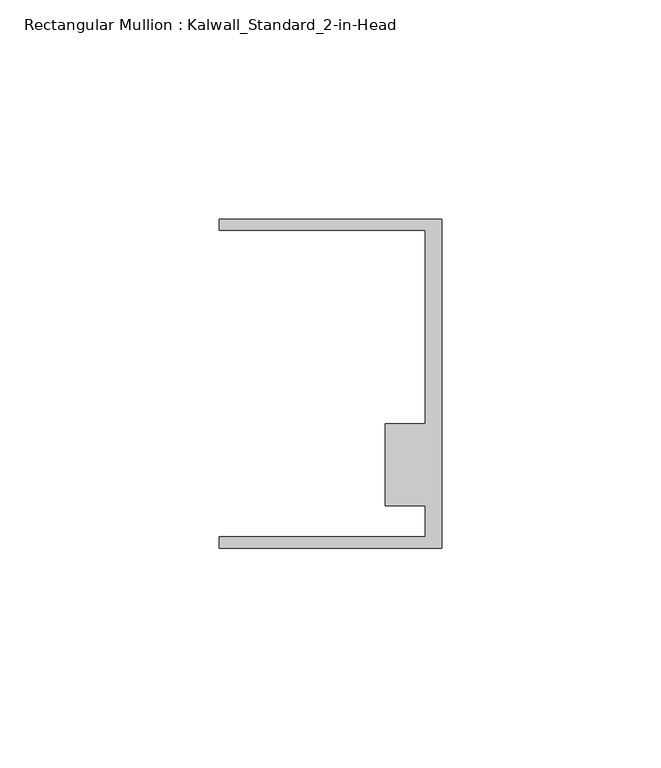
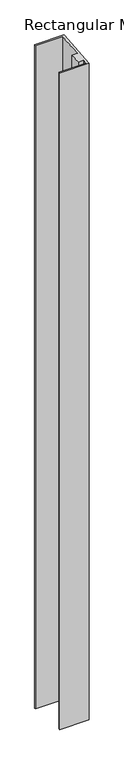
"""IFC4 building model written with IfcOpenShell, lengths in millimetres: member geometry, Rectangular Mullion : Kalwall_Standard_2-in-Head."""

from ifc_helpers import new_model, si_unit, origin, place, context, project, spatial, faceted_brep, source, transform, mapped, element, save


def rectangular_mullion_kalwall_standard_2_in_head_0131c8f0(model_context):
    return source(origin(), model_context, "Body", "Brep", [
        faceted_brep([(0.0, 37.5023614, -47.8268438), (0.0, -37.5776386, -54.3732148), (0.0, -37.5776386, -1257.4255328), (0.0, 37.5023614, -1263.9719037), (-50.8, 37.5023614, -47.8268438), (-50.8, 37.5023614, -1263.9719037), (-50.8, 34.9623614, -48.0483114), (-50.8, 34.9623614, -1263.7504362), (-3.7084, 34.9623614, -48.0483114), (-3.7084, 34.9623614, -1263.7504362), (-3.7084, -9.1879886, -51.8978661), (-3.7084, -9.1879886, -1259.9008814), (-12.8272539, -9.1879886, -51.8978661), (-12.8272539, -9.1879886, -1259.9008814), (-12.8272539, -27.8888568, -53.5284311), (-12.8272539, -27.8888568, -1258.2703164), (-3.7084, -27.8888568, -53.5284311), (-3.7084, -27.8888568, -1258.2703164), (-3.7084, -35.0376386, -54.1517472), (-3.7084, -35.0376386, -1257.6470003), (-50.8, -35.0376386, -54.1517472), (-50.8, -35.0376386, -1257.6470003), (-50.8, -37.5776386, -54.3732148), (-50.8, -37.5776386, -1257.4255328)], [[[0, 1, 2, 3]], [[4, 0, 3, 5]], [[6, 4, 5, 7]], [[8, 6, 7, 9]], [[10, 8, 9, 11]], [[12, 10, 11, 13]], [[14, 12, 13, 15]], [[16, 14, 15, 17]], [[18, 16, 17, 19]], [[20, 18, 19, 21]], [[22, 20, 21, 23]], [[1, 22, 23, 2]], [[1, 0, 4, 6, 8, 10, 12, 14, 16, 18, 20, 22]], [[2, 23, 21, 19, 17, 15, 13, 11, 9, 7, 5, 3]]]),
    ])


if __name__ == "__main__":
    model = new_model("IFC4")
    model_context = context("Model", 3, world=origin())
    ifc_project = project(units=[si_unit("LENGTHUNIT", "METRE", prefix="MILLI")], contexts=[model_context])
    site = spatial("IfcSite", under=ifc_project)
    building = spatial("IfcBuilding", under=site)
    placement = place(None, origin())
    rectangular_mullion_kalwall_standard_2_in_head_shape = rectangular_mullion_kalwall_standard_2_in_head_0131c8f0(model_context)
    element("IfcMember", 1, ObjectType="Rectangular Mullion : Kalwall_Standard_2-in-Head", at=placement, inside=building, context=model_context, shape_type="MappedRepresentation", body=[
        mapped(rectangular_mullion_kalwall_standard_2_in_head_shape, transform((0.0, 0.0, 0.0), x_axis=(1.0, 0.0, 0.0), y_axis=(0.0, 1.0, 0.0), z_axis=(0.0, 0.0, 1.0))),
    ])
    save(model, "model.ifc")
